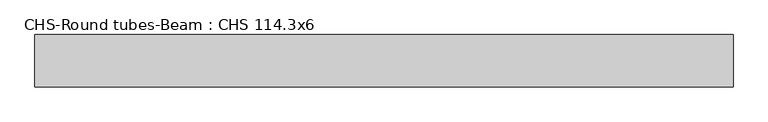
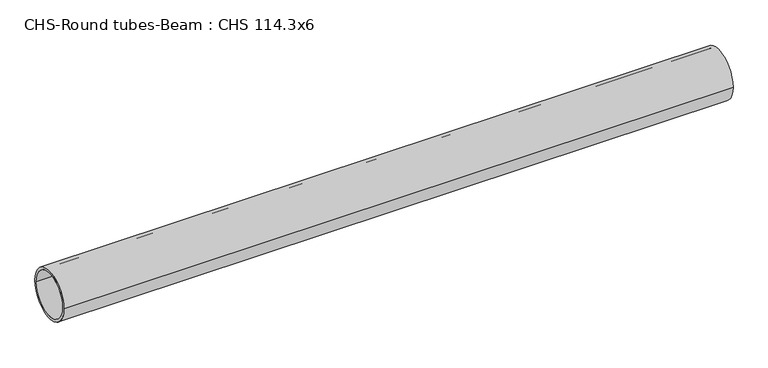
"""IFC4 building model written with IfcOpenShell, lengths in millimetres: beam geometry, CHS-Round tubes-Beam : CHS 114.3x6."""

from ifc_helpers import new_model, si_unit, point, frame, origin, origin_2d, place, context, project, spatial, circle_curve, trimmed, segment, composite_curve, outline, extrude, source, transform, mapped, element, save


def chs_round_tubes_beam_chs_114_3x6_07f16e02(model_context):
    return source(origin(), model_context, "Body", "SweptSolid", [
        extrude(outline(composite_curve([segment(trimmed(circle_curve(origin_2d(), 57.15), [point((57.15, 0.0))], [point((-57.15, 0.0))], False, "CARTESIAN"), True, "CONTINUOUS"), segment(trimmed(circle_curve(origin_2d(), 57.15), [point((-57.15, 0.0))], [point((57.15, 0.0))], False, "CARTESIAN"), True, "CONTINUOUS")], self_intersect=False), holes=[composite_curve([segment(trimmed(circle_curve(origin_2d(), 51.15), [point((51.15, 0.0))], [point((-51.15, 0.0))], True, "CARTESIAN"), True, "CONTINUOUS"), segment(trimmed(circle_curve(origin_2d(), 51.15), [point((-51.15, 0.0))], [point((51.15, 0.0))], True, "CARTESIAN"), True, "CONTINUOUS")], self_intersect=False)]), frame((-777.0271781, 0.0, 0.0), z_axis=(1.0, 0.0, 0.0), x_axis=(0.0, 1.0, 0.0)), (0.0, 0.0, 1.0), 1527.8134016),
    ])


if __name__ == "__main__":
    model = new_model("IFC4")
    model_context = context("Model", 3, world=origin())
    ifc_project = project(units=[si_unit("LENGTHUNIT", "METRE", prefix="MILLI")], contexts=[model_context])
    site = spatial("IfcSite", under=ifc_project)
    building = spatial("IfcBuilding", under=site)
    placement = place(None, origin())
    chs_round_tubes_beam_chs_114_3x6_shape = chs_round_tubes_beam_chs_114_3x6_07f16e02(model_context)
    element("IfcBeam", 1, ObjectType="CHS-Round tubes-Beam : CHS 114.3x6", at=placement, inside=building, context=model_context, shape_type="MappedRepresentation", body=[
        mapped(chs_round_tubes_beam_chs_114_3x6_shape, transform((0.0, 0.0, 0.0), x_axis=(1.0, 0.0, 0.0), y_axis=(0.0, 1.0, 0.0), z_axis=(0.0, 0.0, 1.0))),
    ])
    save(model, "model.ifc")
